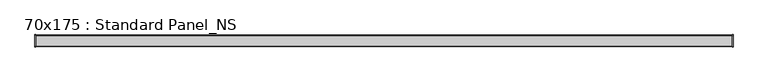
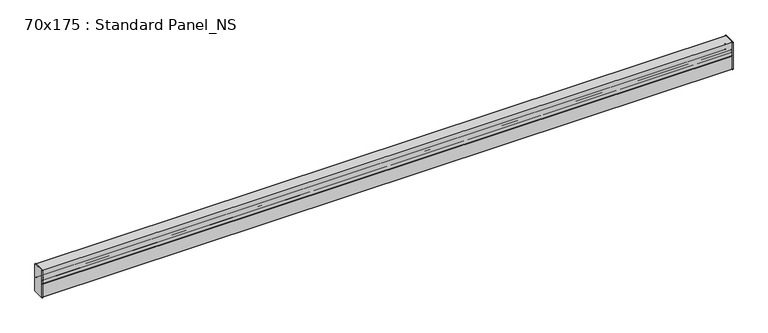
"""IFC4 building model written with IfcOpenShell, lengths in millimetres: proxy geometry, 70x175 : Standard Panel_NS."""

from ifc_helpers import new_model, si_unit, point, frame, frame_2d, origin, place, context, project, spatial, polyline, circle_curve, trimmed, segment, composite_curve, outline, extrude, source, transform, mapped, element, save


def proxy_70x175_standard_panel_ns_505d21ac(model_context):
    return source(origin(), model_context, "Body", "SweptSolid", [
        extrude(outline(composite_curve([segment(polyline([(-33.2928932, -66.4291007), (-33.2928932, -50.6977096)]), True, "CONTINUOUS"), segment(trimmed(circle_curve(frame_2d((-31.7928932, -50.6977096)), 1.5), [point((-33.2928932, -50.6977096))], [point((-30.2928932, -50.6977096))], False, "CARTESIAN"), True, "CONTINUOUS"), segment(polyline([(-30.2928932, -50.6977096), (-30.2928932, -59.1977096), (-31.2928932, -59.1977096), (-31.2928932, -50.6977096)]), True, "CONTINUOUS"), segment(trimmed(circle_curve(frame_2d((-31.7928932, -50.6977096)), 0.5), [point((-31.2928932, -50.6977096))], [point((-32.2928932, -50.6977096))], True, "CARTESIAN"), True, "CONTINUOUS"), segment(polyline([(-32.2928932, -50.6977096), (-32.2928932, -66.6983395), (-22.4741595, -76.5170733)]), True, "CONTINUOUS"), segment(trimmed(circle_curve(frame_2d((-23.888373, -77.9312869)), 2.0), [point((-22.4741595, -76.5170733))], [point((-22.4741595, -79.3455004))], False, "CARTESIAN"), True, "CONTINUOUS"), segment(polyline([(-22.4741595, -79.3455004), (-34.0, -90.8713409), (-34.0, -173.5172618)]), True, "CONTINUOUS"), segment(trimmed(circle_curve(frame_2d((-33.35, -173.5172618)), 0.65), [point((-34.0, -173.5172618))], [point((-33.35, -174.1672618))], True, "CARTESIAN"), True, "CONTINUOUS"), segment(polyline([(-33.35, -174.1672618), (33.35, -174.1672618)]), True, "CONTINUOUS"), segment(trimmed(circle_curve(frame_2d((33.35, -173.5172618)), 0.65), [point((33.35, -174.1672618))], [point((34.0, -173.5172618))], True, "CARTESIAN"), True, "CONTINUOUS"), segment(polyline([(34.0, -173.5172618), (34.0, -90.8713409), (22.4741595, -79.3455004)]), True, "CONTINUOUS"), segment(trimmed(circle_curve(frame_2d((23.888373, -77.9312869)), 2.0), [point((22.4741595, -79.3455004))], [point((22.4741595, -76.5170733))], False, "CARTESIAN"), True, "CONTINUOUS"), segment(polyline([(22.4741595, -76.5170733), (32.2928932, -66.6983395), (32.2928932, -50.6977096)]), True, "CONTINUOUS"), segment(trimmed(circle_curve(frame_2d((31.7928932, -50.6977096)), 0.5), [point((32.2928932, -50.6977096))], [point((31.2928932, -50.6977096))], True, "CARTESIAN"), True, "CONTINUOUS"), segment(polyline([(31.2928932, -50.6977096), (31.2928932, -59.1977096), (30.2928932, -59.1977096), (30.2928932, -50.6977096)]), True, "CONTINUOUS"), segment(trimmed(circle_curve(frame_2d((31.7928932, -50.6977096)), 1.5), [point((30.2928932, -50.6977096))], [point((33.2928932, -50.6977096))], False, "CARTESIAN"), True, "CONTINUOUS"), segment(polyline([(33.2928932, -50.6977096), (33.2928932, -66.4291007)]), True, "CONTINUOUS"), segment(trimmed(circle_curve(frame_2d((31.6428932, -66.4291007)), 1.65), [point((33.2928932, -66.4291007))], [point((32.8096194, -67.5958269))], False, "CARTESIAN"), True, "CONTINUOUS"), segment(polyline([(32.8096194, -67.5958269), (23.1862915, -77.2191548)]), True, "CONTINUOUS"), segment(trimmed(circle_curve(frame_2d((23.8933983, -77.9262616)), 1.0), [point((23.1862915, -77.2191548))], [point((23.1862915, -78.6333684))], True, "CARTESIAN"), True, "CONTINUOUS"), segment(polyline([(23.1862915, -78.6333684), (34.5167262, -89.9638031)]), True, "CONTINUOUS"), segment(trimmed(circle_curve(frame_2d((33.35, -91.1305293)), 1.65), [point((34.5167262, -89.9638031))], [point((35.0, -91.1305293))], False, "CARTESIAN"), True, "CONTINUOUS"), segment(polyline([(35.0, -91.1305293), (35.0, -173.5172618)]), True, "CONTINUOUS"), segment(trimmed(circle_curve(frame_2d((33.35, -173.5172618)), 1.65), [point((35.0, -173.5172618))], [point((33.35, -175.1672618))], False, "CARTESIAN"), True, "CONTINUOUS"), segment(polyline([(33.35, -175.1672618), (-33.35, -175.1672618)]), True, "CONTINUOUS"), segment(trimmed(circle_curve(frame_2d((-33.35, -173.5172618)), 1.65), [point((-33.35, -175.1672618))], [point((-35.0, -173.5172618))], False, "CARTESIAN"), True, "CONTINUOUS"), segment(polyline([(-35.0, -173.5172618), (-35.0, -91.1305293)]), True, "CONTINUOUS"), segment(trimmed(circle_curve(frame_2d((-33.35, -91.1305293)), 1.65), [point((-35.0, -91.1305293))], [point((-34.5167262, -89.9638031))], False, "CARTESIAN"), True, "CONTINUOUS"), segment(polyline([(-34.5167262, -89.9638031), (-23.1862915, -78.6333684)]), True, "CONTINUOUS"), segment(trimmed(circle_curve(frame_2d((-23.8933983, -77.9262616)), 1.0), [point((-23.1862915, -78.6333684))], [point((-23.1862915, -77.2191548))], True, "CARTESIAN"), True, "CONTINUOUS"), segment(polyline([(-23.1862915, -77.2191548), (-32.8096194, -67.5958269)]), True, "CONTINUOUS"), segment(trimmed(circle_curve(frame_2d((-31.6428932, -66.4291007)), 1.65), [point((-32.8096194, -67.5958269))], [point((-33.2928932, -66.4291007))], False, "CARTESIAN"), True, "CONTINUOUS")], self_intersect=False)), frame((0.0, 0.0, 0.0), z_axis=(1.0, 0.0, 0.0), x_axis=(0.0, 1.0, 0.0)), (0.0, 0.0, 1.0), 4200.0),
        extrude(outline(composite_curve([segment(polyline([(32.0, -86.5), (32.0, -73.0), (33.0, -73.0), (33.0, -86.5)]), True, "CONTINUOUS"), segment(trimmed(circle_curve(frame_2d((33.5, -86.5)), 0.5), [point((33.0, -86.5))], [point((34.0, -86.5))], True, "CARTESIAN"), True, "CONTINUOUS"), segment(polyline([(34.0, -86.5), (34.0, -1.65)]), True, "CONTINUOUS"), segment(trimmed(circle_curve(frame_2d((33.35, -1.65)), 0.65), [point((34.0, -1.65))], [point((33.35, -1.0))], True, "CARTESIAN"), True, "CONTINUOUS"), segment(polyline([(33.35, -1.0), (-33.35, -1.0)]), True, "CONTINUOUS"), segment(trimmed(circle_curve(frame_2d((-33.35, -1.65)), 0.65), [point((-33.35, -1.0))], [point((-34.0, -1.65))], True, "CARTESIAN"), True, "CONTINUOUS"), segment(polyline([(-34.0, -1.65), (-34.0, -86.5)]), True, "CONTINUOUS"), segment(trimmed(circle_curve(frame_2d((-33.5, -86.5)), 0.5), [point((-34.0, -86.5))], [point((-33.0, -86.5))], True, "CARTESIAN"), True, "CONTINUOUS"), segment(polyline([(-33.0, -86.5), (-33.0, -73.0), (-32.0, -73.0), (-32.0, -86.5)]), True, "CONTINUOUS"), segment(trimmed(circle_curve(frame_2d((-33.5, -86.5)), 1.5), [point((-32.0, -86.5))], [point((-35.0, -86.5))], False, "CARTESIAN"), True, "CONTINUOUS"), segment(polyline([(-35.0, -86.5), (-35.0, -1.65)]), True, "CONTINUOUS"), segment(trimmed(circle_curve(frame_2d((-33.35, -1.65)), 1.65), [point((-35.0, -1.65))], [point((-33.35, 0.0))], False, "CARTESIAN"), True, "CONTINUOUS"), segment(polyline([(-33.35, 0.0), (33.35, 0.0)]), True, "CONTINUOUS"), segment(trimmed(circle_curve(frame_2d((33.35, -1.65)), 1.65), [point((33.35, 0.0))], [point((35.0, -1.65))], False, "CARTESIAN"), True, "CONTINUOUS"), segment(polyline([(35.0, -1.65), (35.0, -86.5)]), True, "CONTINUOUS"), segment(trimmed(circle_curve(frame_2d((33.5, -86.5)), 1.5), [point((35.0, -86.5))], [point((32.0, -86.5))], False, "CARTESIAN"), True, "CONTINUOUS")], self_intersect=False)), frame((0.0, 0.0, 0.0), z_axis=(1.0, 0.0, 0.0), x_axis=(0.0, 1.0, 0.0)), (0.0, 0.0, 1.0), 4200.0),
        extrude(outline(composite_curve([segment(polyline([(33.35, -177.0), (-33.35, -177.0)]), True, "CONTINUOUS"), segment(trimmed(circle_curve(frame_2d((-33.35, -173.35)), 3.65), [point((-33.35, -177.0))], [point((-37.0, -173.35))], False, "CARTESIAN"), True, "CONTINUOUS"), segment(polyline([(-37.0, -173.35), (-37.0, -1.65)]), True, "CONTINUOUS"), segment(trimmed(circle_curve(frame_2d((-33.35, -1.65)), 3.65), [point((-37.0, -1.65))], [point((-33.35, 2.0))], False, "CARTESIAN"), True, "CONTINUOUS"), segment(polyline([(-33.35, 2.0), (33.35, 2.0)]), True, "CONTINUOUS"), segment(trimmed(circle_curve(frame_2d((33.35, -1.65)), 3.65), [point((33.35, 2.0))], [point((37.0, -1.65))], False, "CARTESIAN"), True, "CONTINUOUS"), segment(polyline([(37.0, -1.65), (37.0, -173.35)]), True, "CONTINUOUS"), segment(trimmed(circle_curve(frame_2d((33.35, -173.35)), 3.65), [point((37.0, -173.35))], [point((33.35, -177.0))], False, "CARTESIAN"), True, "CONTINUOUS")], self_intersect=False)), frame((-4.0, 0.0, 0.0), z_axis=(1.0, 0.0, 0.0), x_axis=(0.0, 1.0, 0.0)), (0.0, 0.0, 1.0), 4.0),
        extrude(outline(composite_curve([segment(trimmed(circle_curve(frame_2d((-33.35, -173.35)), 3.65), [point((-33.35, -177.0))], [point((-37.0, -173.35))], False, "CARTESIAN"), True, "CONTINUOUS"), segment(polyline([(-37.0, -173.35), (-37.0, -1.65)]), True, "CONTINUOUS"), segment(trimmed(circle_curve(frame_2d((-33.35, -1.65)), 3.65), [point((-37.0, -1.65))], [point((-33.35, 2.0))], False, "CARTESIAN"), True, "CONTINUOUS"), segment(polyline([(-33.35, 2.0), (33.35, 2.0)]), True, "CONTINUOUS"), segment(trimmed(circle_curve(frame_2d((33.35, -1.65)), 3.65), [point((33.35, 2.0))], [point((37.0, -1.65))], False, "CARTESIAN"), True, "CONTINUOUS"), segment(polyline([(37.0, -1.65), (37.0, -173.35)]), True, "CONTINUOUS"), segment(trimmed(circle_curve(frame_2d((33.35, -173.35)), 3.65), [point((37.0, -173.35))], [point((33.35, -177.0))], False, "CARTESIAN"), True, "CONTINUOUS"), segment(polyline([(33.35, -177.0), (-33.35, -177.0)]), True, "CONTINUOUS")], self_intersect=False)), frame((4200.0, 0.0, 0.0), z_axis=(1.0, 0.0, 0.0), x_axis=(0.0, 1.0, 0.0)), (0.0, 0.0, 1.0), 4.0),
    ])


if __name__ == "__main__":
    model = new_model("IFC4")
    model_context = context("Model", 3, world=origin())
    ifc_project = project(units=[si_unit("LENGTHUNIT", "METRE", prefix="MILLI")], contexts=[model_context])
    site = spatial("IfcSite", under=ifc_project)
    building = spatial("IfcBuilding", under=site)
    placement = place(None, origin())
    proxy_70x175_standard_panel_ns_shape = proxy_70x175_standard_panel_ns_505d21ac(model_context)
    element("IfcBuildingElementProxy", 1, Name="70x175 : Standard Panel_NS", ObjectType="70x175 : Standard Panel_NS", at=placement, inside=building, context=model_context, shape_type="MappedRepresentation", body=[
        mapped(proxy_70x175_standard_panel_ns_shape, transform((0.0, 0.0, 0.0), x_axis=(1.0, 0.0, 0.0), y_axis=(0.0, 1.0, 0.0), z_axis=(0.0, 0.0, 1.0))),
    ])
    save(model, "model.ifc")
